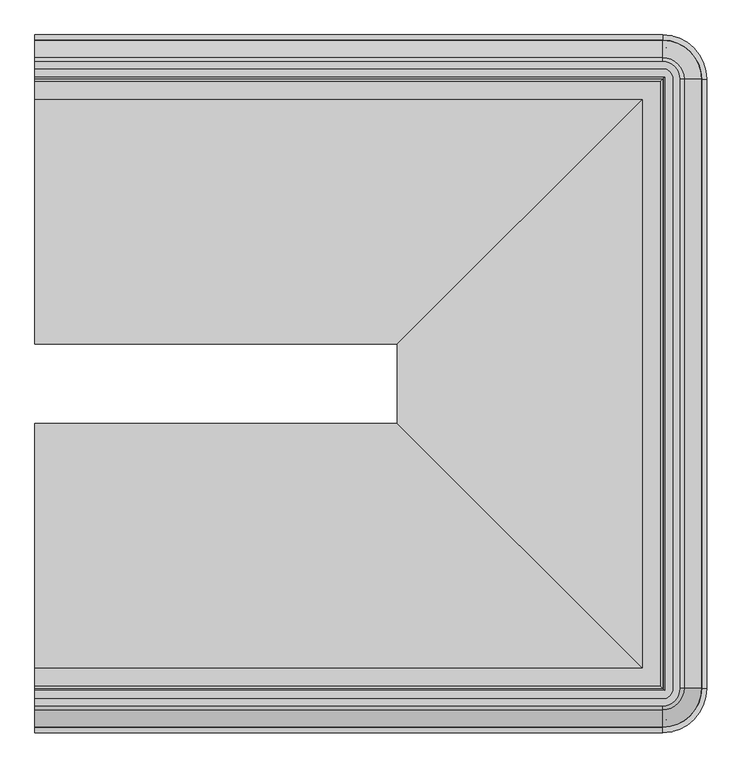
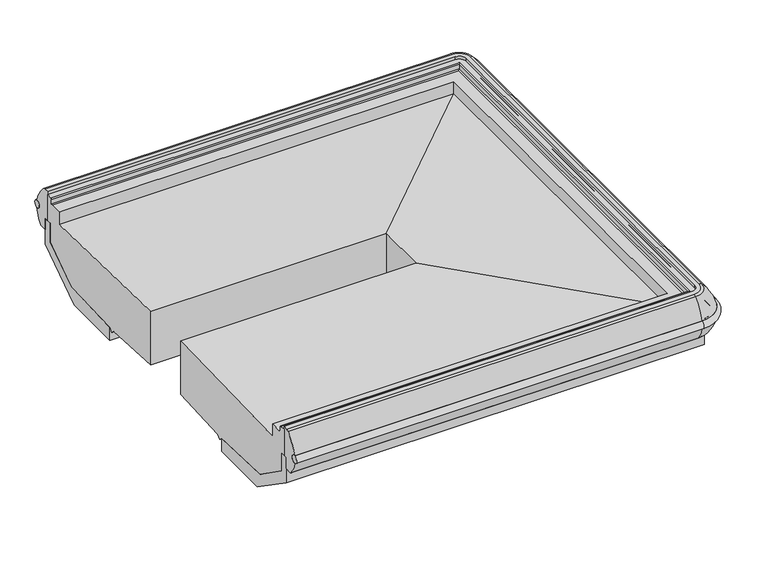
"""IFC4 building model written with IfcOpenShell, lengths in millimetres: proxy geometry."""

from ifc_helpers import new_model, si_unit, point, frame, origin, place, context, project, spatial, polyline, circle_curve, ellipse_curve, trimmed, faceted_brep, source, transform, mapped, element, save
from ifc_brep_helpers import plane_surface, cylinder_surface, revolved_surface, advanced_brep


def mechanical_equipment_4fba0ce9(model_context):
    return source(origin(), model_context, "Body", "SolidModel", [
        advanced_brep(
        [(0.0, -2187.9511755, 564.6206228), (0.0, -1476.8941211, 583.240307), (0.0, -1476.8941211, 330.5006237), (0.0, -1763.1110468, 315.9996591), (0.0, -1778.1929526, 301.7115379), (0.0, -1793.2737198, 315.9985806), (0.0, -2091.4445063, 326.7908623), (0.0, -2254.2926353, 440.8183498), (0.0, -2254.2926353, 529.6852408), (0.0, -2277.0732774, 529.6852408), (0.0, -2277.0732774, 651.1666761), (0.0, -2251.8223149, 651.1666761), (0.0, -2247.771404, 646.4576372), (0.0, -2247.6800766, 625.4643319), (0.0, -2240.6602639, 622.6991544), (0.0, -2187.9511755, 622.6991544), (0.0, -535.7130791, 564.6206228), (0.0, -535.7130791, 622.6991544), (0.0, -483.0039907, 622.6991544), (0.0, -475.984178, 625.4643319), (0.0, -475.8928506, 646.4576372), (0.0, -471.8419397, 651.1666761), (0.0, -446.5909772, 651.1666761), (0.0, -446.5909772, 529.6852408), (0.0, -469.3716193, 529.6852408), (0.0, -469.3716193, 440.8183498), (0.0, -632.2197483, 326.7908623), (0.0, -930.3905348, 315.9985806), (0.0, -945.471302, 301.7115379), (0.0, -960.5532078, 315.9996591), (0.0, -1246.7701335, 330.5006237), (0.0, -1246.7701335, 583.240307), (1051.6869938, -1476.8941211, 583.240307), (1762.7440482, -2187.9511755, 564.6206228), (1762.7440482, -535.7130791, 564.6206228), (1051.6869938, -1246.7701335, 583.240307), (1051.6869938, -1476.8941211, 330.5006237), (1051.6869938, -1246.7701335, 330.5006237), (1337.9039195, -1763.1110468, 315.9996591), (1337.9039195, -960.5532078, 315.9996591), (1352.9858253, -1778.1929526, 301.7115379), (1352.9858253, -945.471302, 301.7115379), (1368.0665925, -1793.2737198, 315.9985806), (1368.0665925, -930.3905348, 315.9985806), (1666.237379, -2091.4445063, 326.7908623), (1666.237379, -632.2197483, 326.7908623), (1829.085508, -2254.2926353, 440.8183498), (1829.085508, -469.3716193, 440.8183498), (1829.085508, -2254.2926353, 529.6852408), (1829.085508, -469.3716193, 529.6852408), (1851.8661501, -2277.0732774, 651.1666761), (1851.8661501, -2277.0732774, 529.6852408), (1851.8661501, -446.5909772, 529.6852408), (1851.8661501, -446.5909772, 651.1666761), (1822.5642767, -2247.771404, 646.4576372), (1826.6151876, -2251.8223149, 651.1666761), (1826.6151876, -471.8419397, 651.1666761), (1822.5642767, -475.8928506, 646.4576372), (1822.4729493, -2247.6800766, 625.4643319), (1822.4729493, -475.984178, 625.4643319), (1815.4531366, -2240.6602639, 622.6991544), (1815.4531366, -483.0039907, 622.6991544), (1762.7440482, -2187.9511755, 622.6991544), (1762.7440482, -535.7130791, 622.6991544)],
        [
            (0, 1),
            (1, 2),
            (2, 3),
            (3, 4),
            (4, 5),
            (5, 6),
            (6, 7),
            (7, 8),
            (8, 9),
            (9, 10),
            (10, 11),
            (11, 12, circle_curve(frame((0.0, -2252.533904, 646.4576372), z_axis=(-1.0, 0.0, 0.0), x_axis=(0.0, 1.0, 0.0)), 4.7625)),
            (12, 13),
            (13, 14),
            (14, 15),
            (15, 0),
            (16, 17),
            (17, 18),
            (18, 19),
            (19, 20),
            (20, 21, circle_curve(frame((0.0, -471.1303506, 646.4576372), z_axis=(-1.0, 0.0, 0.0), x_axis=(0.0, -1.0, 0.0)), 4.7625)),
            (21, 22),
            (22, 23),
            (23, 24),
            (24, 25),
            (25, 26),
            (26, 27),
            (27, 28),
            (28, 29),
            (29, 30),
            (30, 31),
            (31, 16),
            (32, 33),
            (33, 34),
            (34, 35),
            (35, 32),
            (36, 32),
            (35, 37),
            (37, 36),
            (38, 36),
            (37, 39),
            (39, 38),
            (40, 38),
            (39, 41),
            (41, 40),
            (42, 40),
            (41, 43),
            (43, 42),
            (44, 42),
            (43, 45),
            (45, 44),
            (46, 44),
            (45, 47),
            (47, 46),
            (48, 46),
            (47, 49),
            (49, 48),
            (50, 51),
            (51, 52),
            (52, 53),
            (53, 50),
            (54, 55, ellipse_curve(frame((1827.3267767, -2252.533904, 646.4576372), z_axis=(0.7071067811865475, 0.7071067811865475, 0.0), x_axis=(0.7071067811865474, -0.7071067811865476, 0.0)), 6.7351921, 4.7625)),
            (55, 56),
            (56, 57, ellipse_curve(frame((1827.3267767, -471.1303506, 646.4576372), z_axis=(0.7071067811865475, -0.7071067811865475, 0.0), x_axis=(-0.7071067811865474, -0.7071067811865476, 0.0)), 6.7351921, 4.7625)),
            (57, 54),
            (58, 54),
            (57, 59),
            (59, 58),
            (60, 58),
            (59, 61),
            (61, 60),
            (33, 62),
            (62, 63),
            (63, 34),
            (34, 16),
            (31, 35),
            (30, 37),
            (29, 39),
            (28, 41),
            (27, 43),
            (26, 45),
            (25, 47),
            (24, 49),
            (52, 23),
            (22, 53),
            (56, 21),
            (20, 57),
            (19, 59),
            (18, 61),
            (63, 17),
            (0, 33),
            (32, 1),
            (36, 2),
            (38, 3),
            (40, 4),
            (42, 5),
            (44, 6),
            (46, 7),
            (48, 8),
            (51, 9),
            (50, 10),
            (55, 11),
            (54, 12),
            (58, 13),
            (60, 14),
            (62, 15),
        ],
        [
            plane_surface(frame((0.0, -2374.6571273, 0.0), z_axis=(-1.0, 0.0, 0.0), x_axis=(0.0, 0.0, 1.0))),
            plane_surface(frame((0.0, -349.0071273, 0.0), z_axis=(-1.0, 0.0, 0.0), x_axis=(0.0, 0.0, 1.0))),
            plane_surface(frame((1762.7440482, -2187.9511755, 564.6206228), z_axis=(0.0261769483079519, 0.0, 0.9996573249755553), x_axis=(0.0, 1.0, 0.0))),
            plane_surface(frame((1051.6869938, -1476.8941211, 583.240307), z_axis=(-1.0, 0.0, 0.0), x_axis=(0.0, 1.0, 0.0))),
            plane_surface(frame((1051.6869938, -1476.8941211, 330.5006237), z_axis=(-0.05059934604185503, 0.0, -0.9987190326513943), x_axis=(0.0, 1.0, 0.0))),
            plane_surface(frame((1337.9039195, -1763.1110468, 315.9996591), z_axis=(-0.6877446479107929, 0.0, -0.7259526839058175), x_axis=(0.0, 1.0, 0.0))),
            plane_surface(frame((1352.9858253, -1778.1929526, 301.7115379), z_axis=(0.687744647910848, 0.0, -0.7259526839057651), x_axis=(0.0, 1.0, 0.0))),
            plane_surface(frame((1368.0665925, -1793.2737198, 315.9985806), z_axis=(0.036171280996440035, 0.0, -0.9993456050991952), x_axis=(0.0, 1.0, 0.0))),
            plane_surface(frame((1666.237379, -2091.4445063, 326.7908623), z_axis=(0.5735764363510384, 0.0, -0.8191520442889972), x_axis=(0.0, 1.0, 0.0))),
            plane_surface(frame((1829.085508, -2254.2926353, 440.8183498), z_axis=(1.0, 0.0, 0.0), x_axis=(0.0, 1.0, 0.0))),
            plane_surface(frame((1851.8661501, -2277.0732774, 529.6852408), z_axis=(1.0, 0.0, 0.0), x_axis=(0.0, 1.0, 0.0))),
            cylinder_surface(frame((1827.3267767, -2374.6571273, 646.4576372), z_axis=(0.0, -1.0, 0.0), x_axis=(-1.0, 0.0, 0.0)), 4.7625),
            plane_surface(frame((1822.5642767, -2247.771404, 646.4576372), z_axis=(-0.9999905375281688, 0.0, 0.004350270580584213), x_axis=(0.0, 1.0, 0.0))),
            plane_surface(frame((1822.4729493, -2247.6800766, 625.4643319), z_axis=(-0.3665011927547342, 0.0, 0.9304175813629906), x_axis=(0.0, 1.0, 0.0))),
            plane_surface(frame((1762.7440482, -2187.9511755, 622.6991544), z_axis=(-1.0, 0.0, 0.0), x_axis=(0.0, 1.0, 0.0))),
            plane_surface(frame((1762.7440482, -535.7130791, 564.6206228), z_axis=(0.0, 0.0261769483079519, 0.9996573249755553), x_axis=(-1.0, 0.0, 0.0))),
            plane_surface(frame((1051.6869938, -1246.7701335, 583.240307), z_axis=(0.0, -1.0, 0.0), x_axis=(-1.0, 0.0, 0.0))),
            plane_surface(frame((1051.6869938, -1246.7701335, 330.5006237), z_axis=(0.0, -0.05059934604185503, -0.9987190326513943), x_axis=(-1.0, 0.0, 0.0))),
            plane_surface(frame((1337.9039195, -960.5532078, 315.9996591), z_axis=(0.0, -0.6877446479107929, -0.7259526839058175), x_axis=(-1.0, 0.0, 0.0))),
            plane_surface(frame((1352.9858253, -945.471302, 301.7115379), z_axis=(0.0, 0.687744647910848, -0.7259526839057651), x_axis=(-1.0, 0.0, 0.0))),
            plane_surface(frame((1368.0665925, -930.3905348, 315.9985806), z_axis=(0.0, 0.036171280996440035, -0.9993456050991952), x_axis=(-1.0, 0.0, 0.0))),
            plane_surface(frame((1666.237379, -632.2197483, 326.7908623), z_axis=(0.0, 0.5735764363510384, -0.8191520442889972), x_axis=(-1.0, 0.0, 0.0))),
            plane_surface(frame((1829.085508, -469.3716193, 440.8183498), z_axis=(0.0, 1.0, 0.0), x_axis=(-1.0, 0.0, 0.0))),
            plane_surface(frame((1851.8661501, -446.5909772, 529.6852408), z_axis=(0.0, 1.0, 0.0), x_axis=(-1.0, 0.0, 0.0))),
            cylinder_surface(frame((1949.45, -471.1303506, 646.4576372), z_axis=(1.0, 0.0, 0.0), x_axis=(0.0, -1.0, 0.0)), 4.7625),
            plane_surface(frame((1822.5642767, -475.8928506, 646.4576372), z_axis=(0.0, -0.9999905375281688, 0.004350270580584213), x_axis=(-1.0, 0.0, 0.0))),
            plane_surface(frame((1822.4729493, -475.984178, 625.4643319), z_axis=(0.0, -0.3665011927547342, 0.9304175813629906), x_axis=(-1.0, 0.0, 0.0))),
            plane_surface(frame((1762.7440482, -535.7130791, 622.6991544), z_axis=(0.0, -1.0, 0.0), x_axis=(-1.0, 0.0, 0.0))),
            plane_surface(frame((0.0, -2187.9511755, 564.6206228), z_axis=(0.0, -0.0261769483079519, 0.9996573249755553), x_axis=(1.0, 0.0, 0.0))),
            plane_surface(frame((0.0, -1476.8941211, 583.240307), z_axis=(0.0, 1.0, 0.0), x_axis=(1.0, 0.0, 0.0))),
            plane_surface(frame((0.0, -1476.8941211, 330.5006237), z_axis=(0.0, 0.05059934604185503, -0.9987190326513943), x_axis=(1.0, 0.0, 0.0))),
            plane_surface(frame((0.0, -1763.1110468, 315.9996591), z_axis=(0.0, 0.6877446479107929, -0.7259526839058175), x_axis=(1.0, 0.0, 0.0))),
            plane_surface(frame((0.0, -1778.1929526, 301.7115379), z_axis=(0.0, -0.687744647910848, -0.7259526839057651), x_axis=(1.0, 0.0, 0.0))),
            plane_surface(frame((0.0, -1793.2737198, 315.9985806), z_axis=(0.0, -0.036171280996440035, -0.9993456050991952), x_axis=(1.0, 0.0, 0.0))),
            plane_surface(frame((0.0, -2091.4445063, 326.7908623), z_axis=(0.0, -0.5735764363510384, -0.8191520442889972), x_axis=(1.0, 0.0, 0.0))),
            plane_surface(frame((0.0, -2254.2926353, 440.8183498), z_axis=(0.0, -1.0, 0.0), x_axis=(1.0, 0.0, 0.0))),
            plane_surface(frame((0.0, -2254.2926353, 529.6852408), z_axis=(0.0, 0.0, -1.0), x_axis=(1.0, 0.0, 0.0))),
            plane_surface(frame((0.0, -2277.0732774, 529.6852408), z_axis=(0.0, -1.0, 0.0), x_axis=(1.0, 0.0, 0.0))),
            plane_surface(frame((0.0, -2277.0732774, 651.1666761), z_axis=(0.0, 0.0, 1.0), x_axis=(1.0, 0.0, 0.0))),
            cylinder_surface(frame((0.0, -2252.533904, 646.4576372), z_axis=(-1.0, 0.0, 0.0), x_axis=(0.0, 1.0, 0.0)), 4.7625),
            plane_surface(frame((0.0, -2247.771404, 646.4576372), z_axis=(0.0, 0.9999905375281688, 0.004350270580584213), x_axis=(1.0, 0.0, 0.0))),
            plane_surface(frame((0.0, -2247.6800766, 625.4643319), z_axis=(0.0, 0.3665011927547342, 0.9304175813629906), x_axis=(1.0, 0.0, 0.0))),
            plane_surface(frame((0.0, -2240.6602639, 622.6991544), z_axis=(0.0, 0.0, 1.0), x_axis=(1.0, 0.0, 0.0))),
            plane_surface(frame((0.0, -2187.9511755, 622.6991544), z_axis=(0.0, 1.0, 0.0), x_axis=(1.0, 0.0, 0.0))),
        ],
        [
            (0, [[1, 2, 3, 4, 5, 6, 7, 8, 9, 10, 11, 12, 13, 14, 15, 16]]),
            (1, [[17, 18, 19, 20, 21, 22, 23, 24, 25, 26, 27, 28, 29, 30, 31, 32]]),
            (2, [[33, 34, 35, 36]]),
            (3, [[37, -36, 38, 39]]),
            (4, [[40, -39, 41, 42]]),
            (5, [[43, -42, 44, 45]]),
            (6, [[46, -45, 47, 48]]),
            (7, [[49, -48, 50, 51]]),
            (8, [[52, -51, 53, 54]]),
            (9, [[55, -54, 56, 57]]),
            (10, [[58, 59, 60, 61]]),
            (11, [[62, 63, 64, 65]]),
            (12, [[66, -65, 67, 68]]),
            (13, [[69, -68, 70, 71]]),
            (14, [[72, 73, 74, -34]]),
            (15, [[-35, 75, -32, 76]]),
            (16, [[-38, -76, -31, 77]]),
            (17, [[-41, -77, -30, 78]]),
            (18, [[-44, -78, -29, 79]]),
            (19, [[-47, -79, -28, 80]]),
            (20, [[-50, -80, -27, 81]]),
            (21, [[-53, -81, -26, 82]]),
            (22, [[-56, -82, -25, 83]]),
            (23, [[-60, 84, -23, 85]]),
            (24, [[-64, 86, -21, 87]]),
            (25, [[-67, -87, -20, 88]]),
            (26, [[-70, -88, -19, 89]]),
            (27, [[-74, 90, -17, -75]]),
            (28, [[-1, 91, -33, 92]]),
            (29, [[-2, -92, -37, 93]]),
            (30, [[-3, -93, -40, 94]]),
            (31, [[-4, -94, -43, 95]]),
            (32, [[-5, -95, -46, 96]]),
            (33, [[-6, -96, -49, 97]]),
            (34, [[-7, -97, -52, 98]]),
            (35, [[-8, -98, -55, 99]]),
            (36, [[-9, -99, -57, -83, -24, -84, -59, 100]]),
            (37, [[-10, -100, -58, 101]]),
            (38, [[-11, -101, -61, -85, -22, -86, -63, 102]]),
            (39, [[-12, -102, -62, 103]]),
            (40, [[-13, -103, -66, 104]]),
            (41, [[-14, -104, -69, 105]]),
            (42, [[-15, -105, -71, -89, -18, -90, -73, 106]]),
            (43, [[-16, -106, -72, -91]]),
        ],
    ),
        advanced_brep(
        [(0.0, -363.9201502, 541.7869334), (0.0, -364.5762737, 576.4502877), (0.0, -2359.7441044, 541.7869334), (0.0, -2359.0879809, 576.4502877), (1820.9127227, -363.9201502, 541.7869334), (1820.9127227, -364.5762737, 576.4502877), (1933.8808536, -477.5444046, 576.4502877), (1934.5369771, -477.5444046, 541.7869334), (1934.5369771, -2246.11985, 541.7869334), (1933.8808536, -2246.11985, 576.4502877), (1820.9127227, -2359.0879809, 576.4502877), (1820.9127227, -2359.7441044, 541.7869334)],
        [
            (0, 1, circle_curve(frame((0.0, -366.6103656, 559.0738987), z_axis=(-1.0, 0.0, 0.0), x_axis=(0.0, 1.0, 0.0)), 17.49504)),
            (1, 0, circle_curve(frame((0.0, -366.6103656, 559.0738987), z_axis=(-1.0, 0.0, 0.0), x_axis=(0.0, 1.0, 0.0)), 17.49504)),
            (2, 3, circle_curve(frame((0.0, -2357.053889, 559.0738987), z_axis=(-1.0, 0.0, 0.0), x_axis=(0.0, -1.0, 0.0)), 17.49504)),
            (3, 2, circle_curve(frame((0.0, -2357.053889, 559.0738987), z_axis=(-1.0, 0.0, 0.0), x_axis=(0.0, -1.0, 0.0)), 17.49504)),
            (0, 4),
            (4, 5, circle_curve(frame((1820.9127227, -366.6103656, 559.0738987), z_axis=(-1.0, 0.0, 0.0), x_axis=(0.0, 1.0, 0.0)), 17.49504)),
            (5, 1),
            (5, 4, circle_curve(frame((1820.9127227, -366.6103656, 559.0738987), z_axis=(-1.0, 0.0, 0.0), x_axis=(0.0, 1.0, 0.0)), 17.49504)),
            (6, 5, circle_curve(frame((1820.9127227, -477.5444046, 576.4502877), z_axis=(0.0, 0.0, 1.0), x_axis=(0.0, 1.0, 0.0)), 112.9681309)),
            (4, 7, circle_curve(frame((1820.9127227, -477.5444046, 541.7869334), z_axis=(0.0, 0.0, -1.0), x_axis=(0.0, 1.0, 0.0)), 113.6242544)),
            (7, 6, circle_curve(frame((1931.8467617, -477.5444046, 559.0738987), z_axis=(0.0, 1.0, 0.0), x_axis=(1.0, 0.0, 0.0)), 17.49504)),
            (6, 7, circle_curve(frame((1931.8467617, -477.5444046, 559.0738987), z_axis=(0.0, 1.0, 0.0), x_axis=(1.0, 0.0, 0.0)), 17.49504)),
            (7, 8),
            (8, 9, circle_curve(frame((1931.8467617, -2246.11985, 559.0738987), z_axis=(0.0, 1.0, 0.0), x_axis=(1.0, 0.0, 0.0)), 17.49504)),
            (9, 6),
            (9, 8, circle_curve(frame((1931.8467617, -2246.11985, 559.0738987), z_axis=(0.0, 1.0, 0.0), x_axis=(1.0, 0.0, 0.0)), 17.49504)),
            (10, 9, circle_curve(frame((1820.9127227, -2246.11985, 576.4502877), z_axis=(0.0, 0.0, 1.0), x_axis=(1.0, 0.0, 0.0)), 112.9681309)),
            (8, 11, circle_curve(frame((1820.9127227, -2246.11985, 541.7869334), z_axis=(0.0, 0.0, -1.0), x_axis=(1.0, 0.0, 0.0)), 113.6242544)),
            (11, 10, circle_curve(frame((1820.9127227, -2357.053889, 559.0738987), z_axis=(1.0, 0.0, 0.0), x_axis=(0.0, -1.0, 0.0)), 17.49504)),
            (10, 11, circle_curve(frame((1820.9127227, -2357.053889, 559.0738987), z_axis=(1.0, 0.0, 0.0), x_axis=(0.0, -1.0, 0.0)), 17.49504)),
            (11, 2),
            (3, 10),
        ],
        [
            plane_surface(frame((0.0, -401.3444046, 0.0), z_axis=(-1.0, 0.0, 0.0), x_axis=(0.0, 0.0, 1.0))),
            plane_surface(frame((0.0, -2322.31985, 0.0), z_axis=(-1.0, 0.0, 0.0), x_axis=(0.0, 0.0, 1.0))),
            cylinder_surface(frame((0.0, -366.6103656, 559.0738987), z_axis=(-1.0, 0.0, 0.0), x_axis=(0.0, 1.0, 0.0)), 17.49504),
            revolved_surface(trimmed(ellipse_curve(frame((1820.9127227, -366.6103656, 559.0738987), z_axis=(-1.0, 0.0, 0.0), x_axis=(0.0, 1.0, 0.0)), 17.49504, 17.49504), [point((1820.9127227, -363.9201502, 541.7869334))], [point((1820.9127227, -364.5762737, 576.4502877))], True, "CARTESIAN"), (1820.9127227, -477.5444046, 0.0), (0.0, 0.0, -1.0)),
            revolved_surface(trimmed(ellipse_curve(frame((1820.9127227, -366.6103656, 559.0738987), z_axis=(-1.0, 0.0, 0.0), x_axis=(0.0, 1.0, 0.0)), 17.49504, 17.49504), [point((1820.9127227, -364.5762737, 576.4502877))], [point((1820.9127227, -363.9201502, 541.7869334))], True, "CARTESIAN"), (1820.9127227, -477.5444046, 0.0), (0.0, 0.0, -1.0)),
            cylinder_surface(frame((1931.8467617, -477.5444046, 559.0738987), z_axis=(0.0, 1.0, 0.0), x_axis=(1.0, 0.0, 0.0)), 17.49504),
            revolved_surface(trimmed(ellipse_curve(frame((1931.8467617, -2246.11985, 559.0738987), z_axis=(0.0, 1.0, 0.0), x_axis=(1.0, 0.0, 0.0)), 17.49504, 17.49504), [point((1934.5369771, -2246.11985, 541.7869334))], [point((1933.8808536, -2246.11985, 576.4502877))], True, "CARTESIAN"), (1820.9127227, -2246.11985, 0.0), (0.0, 0.0, -1.0)),
            revolved_surface(trimmed(ellipse_curve(frame((1931.8467617, -2246.11985, 559.0738987), z_axis=(0.0, 1.0, 0.0), x_axis=(1.0, 0.0, 0.0)), 17.49504, 17.49504), [point((1933.8808536, -2246.11985, 576.4502877))], [point((1934.5369771, -2246.11985, 541.7869334))], True, "CARTESIAN"), (1820.9127227, -2246.11985, 0.0), (0.0, 0.0, -1.0)),
            cylinder_surface(frame((1820.9127227, -2357.053889, 559.0738987), z_axis=(1.0, 0.0, 0.0), x_axis=(0.0, -1.0, 0.0)), 17.49504),
        ],
        [
            (0, [[1, 2]]),
            (1, [[3, 4]]),
            (2, [[-1, 5, 6, 7]]),
            (2, [[-2, -7, 8, -5]]),
            (3, [[9, -6, 10, 11]]),
            (4, [[-10, -8, -9, 12]]),
            (5, [[-11, 13, 14, 15]]),
            (5, [[-12, -15, 16, -13]]),
            (6, [[17, -14, 18, 19]]),
            (7, [[-18, -16, -17, 20]]),
            (8, [[-19, 21, -4, 22]]),
            (8, [[-20, -22, -3, -21]]),
        ],
    ),
        advanced_brep(
        [(0.0, -2308.2910007, 660.3792394), (0.0, -2297.5045779, 664.6065482), (0.0, -2277.0732774, 664.6065482), (0.0, -2277.0732774, 529.6852408), (0.0, -2292.6339353, 529.6852408), (0.0, -2292.6339353, 475.7067482), (0.0, -2324.809578, 475.7067482), (0.0, -2329.5709034, 477.8552864), (0.0, -2359.7441044, 541.7869334), (0.0, -2359.0879809, 576.4502877), (0.0, -415.3732539, 660.3792394), (0.0, -364.5762737, 576.4502877), (0.0, -363.9201502, 541.7869334), (0.0, -394.0933512, 477.8552864), (0.0, -398.8546766, 475.7067482), (0.0, -431.0303193, 475.7067482), (0.0, -431.0303193, 529.6852408), (0.0, -446.5909772, 529.6852408), (0.0, -446.5909772, 664.6065482), (0.0, -426.1596766, 664.6065482), (1872.2974506, -2246.11985, 664.6065482), (1820.9127227, -2297.5045779, 664.6065482), (1820.9127227, -2308.2910007, 660.3792394), (1883.0838734, -2246.11985, 660.3792394), (1851.8661501, -2246.11985, 529.6852408), (1820.9127227, -2277.0732774, 529.6852408), (1820.9127227, -2277.0732774, 664.6065482), (1851.8661501, -2246.11985, 664.6065482), (1867.426808, -2246.11985, 475.7067482), (1820.9127227, -2292.6339353, 475.7067482), (1820.9127227, -2292.6339353, 529.6852408), (1867.426808, -2246.11985, 529.6852408), (1904.3637761, -2246.11985, 477.8552864), (1820.9127227, -2329.5709034, 477.8552864), (1820.9127227, -2324.809578, 475.7067482), (1899.6024507, -2246.11985, 475.7067482), (1934.5369771, -2246.11985, 541.7869334), (1820.9127227, -2359.7441044, 541.7869334), (1933.8808536, -2246.11985, 576.4502877), (1820.9127227, -2359.0879809, 576.4502877), (1883.0838734, -477.5444046, 660.3792394), (1872.2974506, -477.5444046, 664.6065482), (1851.8661501, -477.5444046, 664.6065482), (1851.8661501, -477.5444046, 529.6852408), (1867.426808, -477.5444046, 529.6852408), (1867.426808, -477.5444046, 475.7067482), (1899.6024507, -477.5444046, 475.7067482), (1904.3637761, -477.5444046, 477.8552864), (1934.5369771, -477.5444046, 541.7869334), (1933.8808536, -477.5444046, 576.4502877), (1820.9127227, -426.1596766, 664.6065482), (1820.9127227, -415.3732539, 660.3792394), (1820.9127227, -446.5909772, 529.6852408), (1820.9127227, -446.5909772, 664.6065482), (1820.9127227, -431.0303193, 475.7067482), (1820.9127227, -431.0303193, 529.6852408), (1820.9127227, -394.0933512, 477.8552864), (1820.9127227, -398.8546766, 475.7067482), (1820.9127227, -363.9201502, 541.7869334), (1820.9127227, -364.5762737, 576.4502877)],
        [
            (0, 1, circle_curve(frame((0.0, -2297.5045779, 648.7315482), z_axis=(-1.0, 0.0, 0.0), x_axis=(0.0, 1.0, 0.0)), 15.875)),
            (1, 2),
            (2, 3),
            (3, 4),
            (4, 5),
            (5, 6),
            (6, 7, circle_curve(frame((0.0, -2324.809578, 482.0567481), z_axis=(-1.0, 0.0, 0.0), x_axis=(0.0, 1.0, 0.0)), 6.35)),
            (7, 8, circle_curve(frame((0.0, -2234.3443955, 561.8845207), z_axis=(-1.0, 0.0, 0.0), x_axis=(0.0, 1.0, 0.0)), 127.0)),
            (8, 9, circle_curve(frame((0.0, -2357.053889, 559.0738987), z_axis=(1.0, 0.0, 0.0), x_axis=(0.0, 1.0, 0.0)), 17.49504)),
            (9, 0, circle_curve(frame((0.0, -2187.4830663, 529.9250981), z_axis=(-1.0, 0.0, 0.0), x_axis=(0.0, 1.0, 0.0)), 177.7999999)),
            (10, 11, circle_curve(frame((0.0, -536.1811883, 529.9250981), z_axis=(-1.0, 0.0, 0.0), x_axis=(0.0, -1.0, 0.0)), 177.7999999)),
            (11, 12, circle_curve(frame((0.0, -366.6103656, 559.0738987), z_axis=(1.0, 0.0, 0.0), x_axis=(0.0, -1.0, 0.0)), 17.49504)),
            (12, 13, circle_curve(frame((0.0, -489.3198591, 561.8845207), z_axis=(-1.0, 0.0, 0.0), x_axis=(0.0, -1.0, 0.0)), 127.0)),
            (13, 14, circle_curve(frame((0.0, -398.8546766, 482.0567481), z_axis=(-1.0, 0.0, 0.0), x_axis=(0.0, -1.0, 0.0)), 6.35)),
            (14, 15),
            (15, 16),
            (16, 17),
            (17, 18),
            (18, 19),
            (19, 10, circle_curve(frame((0.0, -426.1596766, 648.7315482), z_axis=(-1.0, 0.0, 0.0), x_axis=(0.0, -1.0, 0.0)), 15.875)),
            (20, 21, circle_curve(frame((1820.9127227, -2246.11985, 664.6065482), z_axis=(0.0, 0.0, -1.0), x_axis=(0.0, -1.0, 0.0)), 51.3847279)),
            (21, 22, circle_curve(frame((1820.9127227, -2297.5045779, 648.7315482), z_axis=(1.0, 0.0, 0.0), x_axis=(0.0, 1.0, 0.0)), 15.875)),
            (22, 23, circle_curve(frame((1820.9127227, -2246.11985, 660.3792394), z_axis=(0.0, 0.0, 1.0), x_axis=(0.0, -1.0, 0.0)), 62.1711507)),
            (23, 20, circle_curve(frame((1872.2974506, -2246.11985, 648.7315482), z_axis=(0.0, -1.0, 0.0), x_axis=(-1.0, 0.0, 0.0)), 15.875)),
            (24, 25, circle_curve(frame((1820.9127227, -2246.11985, 529.6852408), z_axis=(0.0, 0.0, -1.0), x_axis=(0.0, -1.0, 0.0)), 30.9534273)),
            (25, 26),
            (26, 27, circle_curve(frame((1820.9127227, -2246.11985, 664.6065482), z_axis=(0.0, 0.0, 1.0), x_axis=(0.0, -1.0, 0.0)), 30.9534273)),
            (27, 24),
            (28, 29, circle_curve(frame((1820.9127227, -2246.11985, 475.7067482), z_axis=(0.0, 0.0, -1.0), x_axis=(0.0, -1.0, 0.0)), 46.5140852)),
            (29, 30),
            (30, 31, circle_curve(frame((1820.9127227, -2246.11985, 529.6852408), z_axis=(0.0, 0.0, 1.0), x_axis=(0.0, -1.0, 0.0)), 46.5140852)),
            (31, 28),
            (32, 33, circle_curve(frame((1820.9127227, -2246.11985, 477.8552864), z_axis=(0.0, 0.0, -1.0), x_axis=(0.0, -1.0, 0.0)), 83.4510533)),
            (33, 34, circle_curve(frame((1820.9127227, -2324.809578, 482.0567481), z_axis=(1.0, 0.0, 0.0), x_axis=(0.0, 1.0, 0.0)), 6.35)),
            (34, 35, circle_curve(frame((1820.9127227, -2246.11985, 475.7067482), z_axis=(0.0, 0.0, 1.0), x_axis=(0.0, -1.0, 0.0)), 78.689728)),
            (35, 32, circle_curve(frame((1899.6024507, -2246.11985, 482.0567481), z_axis=(0.0, -1.0, 0.0), x_axis=(-1.0, 0.0, 0.0)), 6.35)),
            (36, 37, circle_curve(frame((1820.9127227, -2246.11985, 541.7869334), z_axis=(0.0, 0.0, -1.0), x_axis=(0.0, -1.0, 0.0)), 113.6242544)),
            (37, 33, circle_curve(frame((1820.9127227, -2234.3443955, 561.8845207), z_axis=(1.0, 0.0, 0.0), x_axis=(0.0, 1.0, 0.0)), 127.0)),
            (32, 36, circle_curve(frame((1809.1372682, -2246.11985, 561.8845207), z_axis=(0.0, -1.0, 0.0), x_axis=(-1.0, 0.0, 0.0)), 127.0)),
            (38, 39, circle_curve(frame((1820.9127227, -2246.11985, 576.4502877), z_axis=(0.0, 0.0, -1.0), x_axis=(0.0, -1.0, 0.0)), 112.9681309)),
            (39, 37, circle_curve(frame((1820.9127227, -2357.053889, 559.0738987), z_axis=(-1.0, 0.0, 0.0), x_axis=(0.0, 1.0, 0.0)), 17.49504)),
            (36, 38, circle_curve(frame((1931.8467617, -2246.11985, 559.0738987), z_axis=(0.0, 1.0, 0.0), x_axis=(-1.0, 0.0, 0.0)), 17.49504)),
            (22, 39, circle_curve(frame((1820.9127227, -2187.4830663, 529.9250981), z_axis=(1.0, 0.0, 0.0), x_axis=(0.0, 1.0, 0.0)), 177.7999999)),
            (38, 23, circle_curve(frame((1762.275939, -2246.11985, 529.9250981), z_axis=(0.0, -1.0, 0.0), x_axis=(-1.0, 0.0, 0.0)), 177.7999999)),
            (23, 40),
            (40, 41, circle_curve(frame((1872.2974506, -477.5444046, 648.7315482), z_axis=(0.0, -1.0, 0.0), x_axis=(-1.0, 0.0, 0.0)), 15.875)),
            (41, 20),
            (27, 42),
            (42, 43),
            (43, 24),
            (31, 44),
            (44, 45),
            (45, 28),
            (35, 46),
            (46, 47, circle_curve(frame((1899.6024507, -477.5444046, 482.0567481), z_axis=(0.0, -1.0, 0.0), x_axis=(-1.0, 0.0, 0.0)), 6.35)),
            (47, 32),
            (47, 48, circle_curve(frame((1809.1372682, -477.5444046, 561.8845207), z_axis=(0.0, -1.0, 0.0), x_axis=(-1.0, 0.0, 0.0)), 127.0)),
            (48, 36),
            (48, 49, circle_curve(frame((1931.8467617, -477.5444046, 559.0738987), z_axis=(0.0, 1.0, 0.0), x_axis=(-1.0, 0.0, 0.0)), 17.49504)),
            (49, 38),
            (49, 40, circle_curve(frame((1762.275939, -477.5444046, 529.9250981), z_axis=(0.0, -1.0, 0.0), x_axis=(-1.0, 0.0, 0.0)), 177.7999999)),
            (50, 41, circle_curve(frame((1820.9127227, -477.5444046, 664.6065482), z_axis=(0.0, 0.0, -1.0), x_axis=(1.0, 0.0, 0.0)), 51.3847279)),
            (40, 51, circle_curve(frame((1820.9127227, -477.5444046, 660.3792394), z_axis=(0.0, 0.0, 1.0), x_axis=(1.0, 0.0, 0.0)), 62.1711507)),
            (51, 50, circle_curve(frame((1820.9127227, -426.1596766, 648.7315482), z_axis=(1.0, 0.0, 0.0), x_axis=(0.0, -1.0, 0.0)), 15.875)),
            (52, 43, circle_curve(frame((1820.9127227, -477.5444046, 529.6852408), z_axis=(0.0, 0.0, -1.0), x_axis=(1.0, 0.0, 0.0)), 30.9534273)),
            (42, 53, circle_curve(frame((1820.9127227, -477.5444046, 664.6065482), z_axis=(0.0, 0.0, 1.0), x_axis=(1.0, 0.0, 0.0)), 30.9534273)),
            (53, 52),
            (54, 45, circle_curve(frame((1820.9127227, -477.5444046, 475.7067482), z_axis=(0.0, 0.0, -1.0), x_axis=(1.0, 0.0, 0.0)), 46.5140852)),
            (44, 55, circle_curve(frame((1820.9127227, -477.5444046, 529.6852408), z_axis=(0.0, 0.0, 1.0), x_axis=(1.0, 0.0, 0.0)), 46.5140852)),
            (55, 54),
            (56, 47, circle_curve(frame((1820.9127227, -477.5444046, 477.8552864), z_axis=(0.0, 0.0, -1.0), x_axis=(1.0, 0.0, 0.0)), 83.4510533)),
            (46, 57, circle_curve(frame((1820.9127227, -477.5444046, 475.7067482), z_axis=(0.0, 0.0, 1.0), x_axis=(1.0, 0.0, 0.0)), 78.689728)),
            (57, 56, circle_curve(frame((1820.9127227, -398.8546766, 482.0567481), z_axis=(1.0, 0.0, 0.0), x_axis=(0.0, -1.0, 0.0)), 6.35)),
            (58, 48, circle_curve(frame((1820.9127227, -477.5444046, 541.7869334), z_axis=(0.0, 0.0, -1.0), x_axis=(1.0, 0.0, 0.0)), 113.6242544)),
            (56, 58, circle_curve(frame((1820.9127227, -489.3198591, 561.8845207), z_axis=(1.0, 0.0, 0.0), x_axis=(0.0, -1.0, 0.0)), 127.0)),
            (59, 49, circle_curve(frame((1820.9127227, -477.5444046, 576.4502877), z_axis=(0.0, 0.0, -1.0), x_axis=(1.0, 0.0, 0.0)), 112.9681309)),
            (58, 59, circle_curve(frame((1820.9127227, -366.6103656, 559.0738987), z_axis=(-1.0, 0.0, 0.0), x_axis=(0.0, -1.0, 0.0)), 17.49504)),
            (59, 51, circle_curve(frame((1820.9127227, -536.1811883, 529.9250981), z_axis=(1.0, 0.0, 0.0), x_axis=(0.0, -1.0, 0.0)), 177.7999999)),
            (51, 10),
            (19, 50),
            (53, 18),
            (17, 52),
            (55, 16),
            (15, 54),
            (57, 14),
            (13, 56),
            (12, 58),
            (11, 59),
            (0, 22),
            (21, 1),
            (26, 2),
            (25, 3),
            (30, 4),
            (29, 5),
            (34, 6),
            (33, 7),
            (37, 8),
            (39, 9),
        ],
        [
            plane_surface(frame((0.0, -2322.31985, 0.0), z_axis=(-1.0, 0.0, 0.0), x_axis=(0.0, 0.0, 1.0))),
            plane_surface(frame((0.0, -401.3444046, 0.0), z_axis=(-1.0, 0.0, 0.0), x_axis=(0.0, 0.0, 1.0))),
            revolved_surface(trimmed(ellipse_curve(frame((1820.9127227, -2297.5045779, 648.7315482), z_axis=(-1.0, 0.0, 0.0), x_axis=(0.0, 1.0, 0.0)), 15.875, 15.875), [point((1820.9127227, -2308.2910007, 660.3792394))], [point((1820.9127227, -2297.5045779, 664.6065482))], True, "CARTESIAN"), (1820.9127227, -2246.11985, 0.0), (0.0, 0.0, 1.0)),
            revolved_surface(polyline([(1820.9127227, -2277.0732773, 664.6065482), (1820.9127227, -2277.0732773, 529.6852408)]), (1820.9127227, -2246.11985, 0.0), (0.0, 0.0, 1.0)),
            revolved_surface(polyline([(1820.9127227, -2292.6339352, 529.6852408), (1820.9127227, -2292.6339352, 475.7067482)]), (1820.9127227, -2246.11985, 0.0), (0.0, 0.0, 1.0)),
            revolved_surface(trimmed(ellipse_curve(frame((1820.9127227, -2324.809578, 482.0567481), z_axis=(-1.0, 0.0, 0.0), x_axis=(0.0, 1.0, 0.0)), 6.35, 6.35), [point((1820.9127227, -2324.809578, 475.7067482))], [point((1820.9127227, -2329.5709034, 477.8552864))], True, "CARTESIAN"), (1820.9127227, -2246.11985, 0.0), (0.0, 0.0, 1.0)),
            revolved_surface(trimmed(ellipse_curve(frame((1820.9127227, -2234.3443955, 561.8845207), z_axis=(-1.0, 0.0, 0.0), x_axis=(0.0, 1.0, 0.0)), 127.0, 127.0), [point((1820.9127227, -2329.5709034, 477.8552864))], [point((1820.9127227, -2359.7441044, 541.7869334))], True, "CARTESIAN"), (1820.9127227, -2246.11985, 0.0), (0.0, 0.0, 1.0)),
            revolved_surface(trimmed(ellipse_curve(frame((1820.9127227, -2357.053889, 559.0738987), z_axis=(1.0, 0.0, 0.0), x_axis=(0.0, 1.0, 0.0)), 17.49504, 17.49504), [point((1820.9127227, -2359.7441044, 541.7869334))], [point((1820.9127227, -2359.0879809, 576.4502877))], True, "CARTESIAN"), (1820.9127227, -2246.11985, 0.0), (0.0, 0.0, 1.0)),
            revolved_surface(trimmed(ellipse_curve(frame((1820.9127227, -2187.4830663, 529.9250981), z_axis=(-1.0, 0.0, 0.0), x_axis=(0.0, 1.0, 0.0)), 177.7999999, 177.7999999), [point((1820.9127227, -2359.0879809, 576.4502877))], [point((1820.9127227, -2308.2910007, 660.3792394))], True, "CARTESIAN"), (1820.9127227, -2246.11985, 0.0), (0.0, 0.0, 1.0)),
            cylinder_surface(frame((1872.2974506, -2246.11985, 648.7315482), z_axis=(0.0, -1.0, 0.0), x_axis=(-1.0, 0.0, 0.0)), 15.875),
            plane_surface(frame((1851.8661501, -2246.11985, 664.6065482), z_axis=(-1.0, 0.0, 0.0), x_axis=(0.0, 1.0, 0.0))),
            plane_surface(frame((1867.426808, -2246.11985, 529.6852408), z_axis=(-1.0, 0.0, 0.0), x_axis=(0.0, 1.0, 0.0))),
            cylinder_surface(frame((1899.6024507, -2246.11985, 482.0567481), z_axis=(0.0, -1.0, 0.0), x_axis=(-1.0, 0.0, 0.0)), 6.35),
            cylinder_surface(frame((1809.1372682, -2246.11985, 561.8845207), z_axis=(0.0, -1.0, 0.0), x_axis=(-1.0, 0.0, 0.0)), 127.0),
            revolved_surface(polyline([(1914.3517216999999, -477.5444046, 559.0738987), (1914.3517216999999, -2246.11985, 559.0738987)]), (1931.8467617, -2246.11985, 559.0738987), (0.0, 1.0, 0.0)),
            cylinder_surface(frame((1762.275939, -2246.11985, 529.9250981), z_axis=(0.0, -1.0, 0.0), x_axis=(-1.0, 0.0, 0.0)), 177.7999999),
            revolved_surface(trimmed(ellipse_curve(frame((1872.2974506, -477.5444046, 648.7315482), z_axis=(0.0, -1.0, 0.0), x_axis=(-1.0, 0.0, 0.0)), 15.875, 15.875), [point((1883.0838734, -477.5444046, 660.3792394))], [point((1872.2974506, -477.5444046, 664.6065482))], True, "CARTESIAN"), (1820.9127227, -477.5444046, 0.0), (0.0, 0.0, 1.0)),
            revolved_surface(polyline([(1851.8661499999998, -477.5444046, 664.6065482), (1851.8661499999998, -477.5444046, 529.6852408)]), (1820.9127227, -477.5444046, 0.0), (0.0, 0.0, 1.0)),
            revolved_surface(polyline([(1867.4268078999999, -477.5444046, 529.6852408), (1867.4268078999999, -477.5444046, 475.7067482)]), (1820.9127227, -477.5444046, 0.0), (0.0, 0.0, 1.0)),
            revolved_surface(trimmed(ellipse_curve(frame((1899.6024507, -477.5444046, 482.0567481), z_axis=(0.0, -1.0, 0.0), x_axis=(-1.0, 0.0, 0.0)), 6.35, 6.35), [point((1899.6024507, -477.5444046, 475.7067482))], [point((1904.3637761, -477.5444046, 477.8552864))], True, "CARTESIAN"), (1820.9127227, -477.5444046, 0.0), (0.0, 0.0, 1.0)),
            revolved_surface(trimmed(ellipse_curve(frame((1809.1372682, -477.5444046, 561.8845207), z_axis=(0.0, -1.0, 0.0), x_axis=(-1.0, 0.0, 0.0)), 127.0, 127.0), [point((1904.3637761, -477.5444046, 477.8552864))], [point((1934.5369771, -477.5444046, 541.7869334))], True, "CARTESIAN"), (1820.9127227, -477.5444046, 0.0), (0.0, 0.0, 1.0)),
            revolved_surface(trimmed(ellipse_curve(frame((1931.8467617, -477.5444046, 559.0738987), z_axis=(0.0, 1.0, 0.0), x_axis=(-1.0, 0.0, 0.0)), 17.49504, 17.49504), [point((1934.5369771, -477.5444046, 541.7869334))], [point((1933.8808536, -477.5444046, 576.4502877))], True, "CARTESIAN"), (1820.9127227, -477.5444046, 0.0), (0.0, 0.0, 1.0)),
            revolved_surface(trimmed(ellipse_curve(frame((1762.275939, -477.5444046, 529.9250981), z_axis=(0.0, -1.0, 0.0), x_axis=(-1.0, 0.0, 0.0)), 177.7999999, 177.7999999), [point((1933.8808536, -477.5444046, 576.4502877))], [point((1883.0838734, -477.5444046, 660.3792394))], True, "CARTESIAN"), (1820.9127227, -477.5444046, 0.0), (0.0, 0.0, 1.0)),
            cylinder_surface(frame((1820.9127227, -426.1596766, 648.7315482), z_axis=(1.0, 0.0, 0.0), x_axis=(0.0, -1.0, 0.0)), 15.875),
            plane_surface(frame((1820.9127227, -446.5909772, 664.6065482), z_axis=(0.0, -1.0, 0.0), x_axis=(-1.0, 0.0, 0.0))),
            plane_surface(frame((1820.9127227, -431.0303193, 529.6852408), z_axis=(0.0, -1.0, 0.0), x_axis=(-1.0, 0.0, 0.0))),
            cylinder_surface(frame((1820.9127227, -398.8546766, 482.0567481), z_axis=(1.0, 0.0, 0.0), x_axis=(0.0, -1.0, 0.0)), 6.35),
            cylinder_surface(frame((1820.9127227, -489.3198591, 561.8845207), z_axis=(1.0, 0.0, 0.0), x_axis=(0.0, -1.0, 0.0)), 127.0),
            revolved_surface(polyline([(0.0, -384.10540560000004, 559.0738987), (1820.9127227, -384.10540560000004, 559.0738987)]), (1820.9127227, -366.6103656, 559.0738987), (-1.0, 0.0, 0.0)),
            cylinder_surface(frame((1820.9127227, -536.1811883, 529.9250981), z_axis=(1.0, 0.0, 0.0), x_axis=(0.0, -1.0, 0.0)), 177.7999999),
            cylinder_surface(frame((0.0, -2297.5045779, 648.7315482), z_axis=(-1.0, 0.0, 0.0), x_axis=(0.0, 1.0, 0.0)), 15.875),
            plane_surface(frame((0.0, -2297.5045779, 664.6065482), z_axis=(0.0, 0.0, 1.0), x_axis=(1.0, 0.0, 0.0))),
            plane_surface(frame((0.0, -2277.0732774, 664.6065482), z_axis=(0.0, 1.0, 0.0), x_axis=(1.0, 0.0, 0.0))),
            plane_surface(frame((0.0, -2277.0732774, 529.6852408), z_axis=(0.0, 0.0, -1.0), x_axis=(1.0, 0.0, 0.0))),
            plane_surface(frame((0.0, -2292.6339353, 529.6852408), z_axis=(0.0, 1.0, 0.0), x_axis=(1.0, 0.0, 0.0))),
            plane_surface(frame((0.0, -2292.6339353, 475.7067482), z_axis=(0.0, 0.0, -1.0), x_axis=(1.0, 0.0, 0.0))),
            cylinder_surface(frame((0.0, -2324.809578, 482.0567481), z_axis=(-1.0, 0.0, 0.0), x_axis=(0.0, 1.0, 0.0)), 6.35),
            cylinder_surface(frame((0.0, -2234.3443955, 561.8845207), z_axis=(-1.0, 0.0, 0.0), x_axis=(0.0, 1.0, 0.0)), 127.0),
            revolved_surface(polyline([(1820.9127227, -2339.558849, 559.0738987), (0.0, -2339.558849, 559.0738987)]), (0.0, -2357.053889, 559.0738987), (1.0, 0.0, 0.0)),
            cylinder_surface(frame((0.0, -2187.4830663, 529.9250981), z_axis=(-1.0, 0.0, 0.0), x_axis=(0.0, 1.0, 0.0)), 177.7999999),
        ],
        [
            (0, [[1, 2, 3, 4, 5, 6, 7, 8, 9, 10]]),
            (1, [[11, 12, 13, 14, 15, 16, 17, 18, 19, 20]]),
            (2, [[21, 22, 23, 24]]),
            (3, [[25, 26, 27, 28]]),
            (4, [[29, 30, 31, 32]]),
            (5, [[33, 34, 35, 36]]),
            (6, [[37, 38, -33, 39]]),
            (7, [[40, 41, -37, 42]]),
            (8, [[-23, 43, -40, 44]]),
            (9, [[-24, 45, 46, 47]]),
            (10, [[-28, 48, 49, 50]]),
            (11, [[-32, 51, 52, 53]]),
            (12, [[-36, 54, 55, 56]]),
            (13, [[-39, -56, 57, 58]]),
            (14, [[-42, -58, 59, 60]]),
            (15, [[-44, -60, 61, -45]]),
            (16, [[62, -46, 63, 64]]),
            (17, [[65, -49, 66, 67]]),
            (18, [[68, -52, 69, 70]]),
            (19, [[71, -55, 72, 73]]),
            (20, [[74, -57, -71, 75]]),
            (21, [[76, -59, -74, 77]]),
            (22, [[-63, -61, -76, 78]]),
            (23, [[-64, 79, -20, 80]]),
            (24, [[-67, 81, -18, 82]]),
            (25, [[-70, 83, -16, 84]]),
            (26, [[-73, 85, -14, 86]]),
            (27, [[-75, -86, -13, 87]]),
            (28, [[-77, -87, -12, 88]]),
            (29, [[-78, -88, -11, -79]]),
            (30, [[-1, 89, -22, 90]]),
            (31, [[-2, -90, -21, -47, -62, -80, -19, -81, -66, -48, -27, 91]]),
            (32, [[-3, -91, -26, 92]]),
            (33, [[-4, -92, -25, -50, -65, -82, -17, -83, -69, -51, -31, 93]]),
            (34, [[-5, -93, -30, 94]]),
            (35, [[-6, -94, -29, -53, -68, -84, -15, -85, -72, -54, -35, 95]]),
            (36, [[-7, -95, -34, 96]]),
            (37, [[-8, -96, -38, 97]]),
            (38, [[-9, -97, -41, 98]]),
            (39, [[-10, -98, -43, -89]]),
        ],
    ),
        faceted_brep([(0.0, -2254.2926353, 440.8183498), (0.0, -2091.4445063, 326.7908623), (0.0, -1793.6188247, 316.0110717), (0.0, -1793.6188247, 254.0), (0.0, -2070.9391865, 254.0), (0.0, -2292.6339353, 409.2323342), (0.0, -2292.6339353, 529.6852408), (0.0, -2254.2926353, 529.6852408), (0.0, -469.3716193, 440.8183498), (0.0, -469.3716193, 529.6852408), (0.0, -431.0303193, 529.6852408), (0.0, -431.0303193, 409.2323342), (0.0, -652.7250681, 254.0), (0.0, -930.0454299, 254.0), (0.0, -930.0454299, 316.0110717), (0.0, -632.2197483, 326.7908623), (1666.237379, -2091.4445063, 326.7908623), (1829.085508, -2254.2926353, 440.8183498), (1829.085508, -469.3716193, 440.8183498), (1666.237379, -632.2197483, 326.7908623), (1368.4116974, -1793.6188247, 316.0110717), (1368.4116974, -930.0454299, 316.0110717), (1368.4116974, -1793.6188247, 254.0), (1368.4116974, -930.0454299, 254.0), (1867.426808, -2292.6339353, 409.2323342), (1645.7320592, -2070.9391865, 254.0), (1645.7320592, -652.7250681, 254.0), (1867.426808, -431.0303193, 409.2323342), (1867.426808, -2292.6339353, 529.6852408), (1867.426808, -431.0303193, 529.6852408), (1829.085508, -2254.2926353, 529.6852408), (1829.085508, -469.3716193, 529.6852408)], [[[0, 1, 2, 3, 4, 5, 6, 7]], [[8, 9, 10, 11, 12, 13, 14, 15]], [[16, 17, 18, 19]], [[20, 16, 19, 21]], [[22, 20, 21, 23]], [[24, 25, 26, 27]], [[28, 24, 27, 29]], [[17, 30, 31, 18]], [[19, 18, 8, 15]], [[21, 19, 15, 14]], [[23, 21, 14, 13]], [[27, 26, 12, 11]], [[29, 27, 11, 10]], [[18, 31, 9, 8]], [[1, 0, 17, 16]], [[2, 1, 16, 20]], [[3, 2, 20, 22]], [[4, 3, 22, 23, 13, 12, 26, 25]], [[5, 4, 25, 24]], [[6, 5, 24, 28]], [[7, 6, 28, 29, 10, 9, 31, 30]], [[0, 7, 30, 17]]]),
    ])


if __name__ == "__main__":
    model = new_model("IFC4")
    model_context = context("Model", 3, world=origin())
    ifc_project = project(units=[si_unit("LENGTHUNIT", "METRE", prefix="MILLI")], contexts=[model_context])
    site = spatial("IfcSite", under=ifc_project)
    building = spatial("IfcBuilding", under=site)
    placement = place(None, origin())
    mechanical_equipment_shape = mechanical_equipment_4fba0ce9(model_context)
    element("IfcBuildingElementProxy", 1, Name="Mechanical Equipment", at=placement, inside=building, context=model_context, shape_type="MappedRepresentation", body=[
        mapped(mechanical_equipment_shape, transform((0.0, 0.0, 0.0), x_axis=(1.0, 0.0, 0.0), y_axis=(0.0, 1.0, 0.0), z_axis=(0.0, 0.0, 1.0))),
    ])
    save(model, "model.ifc")
